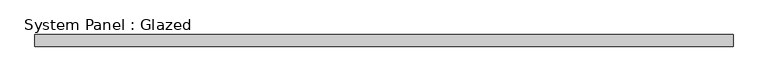
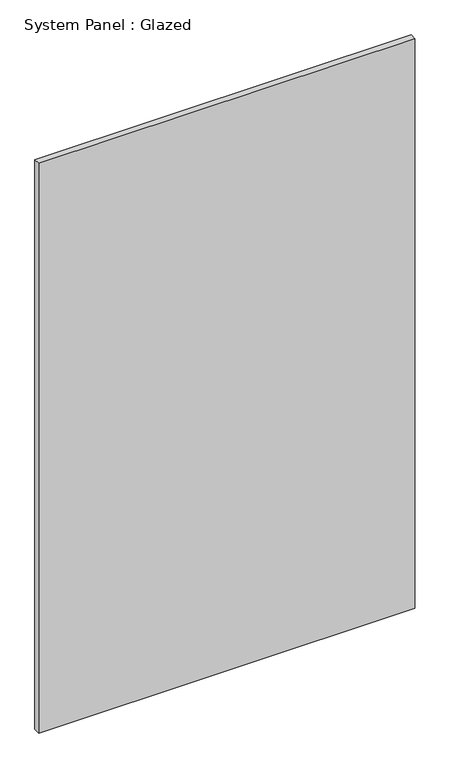
"""IFC4 building model written with IfcOpenShell, lengths in millimetres: plate geometry, System Panel : Glazed."""

from ifc_helpers import new_model, si_unit, origin, origin_with_axes, place, context, project, spatial, polyline, outline, extrude, source, transform, mapped, element, save


def system_panel_glazed_ffe23118(model_context):
    return source(origin(), model_context, "Body", "SweptSolid", [
        extrude(outline(polyline([(726.1929397, 24.5), (-726.1929397, 24.5), (-726.1929397, 49.5), (726.1929397, 49.5), (726.1929397, 24.5)])), origin_with_axes(), (0.0, 0.0, 1.0), 2325.0),
    ])


if __name__ == "__main__":
    model = new_model("IFC4")
    model_context = context("Model", 3, world=origin())
    ifc_project = project(units=[si_unit("LENGTHUNIT", "METRE", prefix="MILLI")], contexts=[model_context])
    site = spatial("IfcSite", under=ifc_project)
    building = spatial("IfcBuilding", under=site)
    placement = place(None, origin())
    system_panel_glazed_shape = system_panel_glazed_ffe23118(model_context)
    element("IfcPlate", 1, ObjectType="System Panel : Glazed", at=placement, inside=building, context=model_context, shape_type="MappedRepresentation", body=[
        mapped(system_panel_glazed_shape, transform((0.0, 0.0, 0.0), x_axis=(1.0, 0.0, 0.0), y_axis=(0.0, 1.0, 0.0), z_axis=(0.0, 0.0, 1.0))),
    ])
    save(model, "model.ifc")
